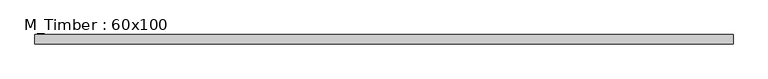
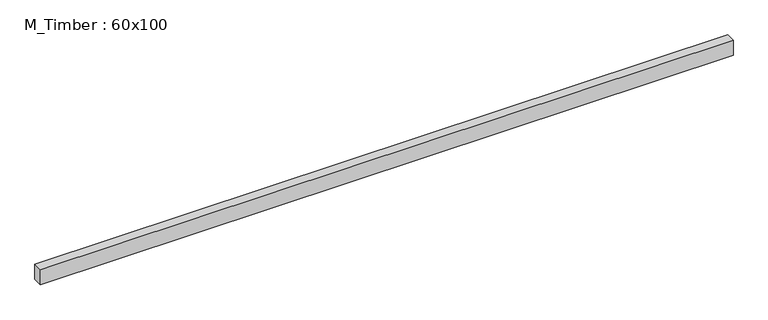
"""IFC4 building model written with IfcOpenShell, lengths in millimetres: beam geometry, M_Timber : 60x100."""

import ifcopenshell
import ifcopenshell.guid

model = None  # the IFC model being written
_history = None  # IfcOwnerHistory: only IFC2X3 demands one
_inside = {}  # id of a spatial element -> (the spatial element, [elements in it])
_under = {}  # id of a project, library or spatial element -> (it, [spatial elements below it])
_declared = {}  # id of a project -> (the project, [libraries it declares])
_typed = {}  # id of a type object -> (the type object, [elements of that type])
_made_of = {}  # id of a material, layer set ... -> (it, [elements and type objects made of it])


def new_model(schema):
    """Start an empty IFC model of exactly this schema.

    Asked for "IFC4X3", IfcOpenShell would pick the latest addendum, in which some entities
    have other attributes; the version numbers below select the first issue.
    IFC2X3 requires an IfcOwnerHistory on every rooted entity: one is made here for all.
    """
    global model, _history
    if schema == "IFC4X3":
        model = ifcopenshell.file(schema_version=(4, 3, 0, 0))
    else:
        model = ifcopenshell.file(schema=schema)
    _inside.clear()
    _under.clear()
    _declared.clear()
    _typed.clear()
    _made_of.clear()
    _history = None
    if model.schema == "IFC2X3":
        org = make("IfcOrganization", Name="unknown")
        user = make(
            "IfcPersonAndOrganization",
            ThePerson=make("IfcPerson", FamilyName="unknown"),
            TheOrganization=org,
        )
        app = make(
            "IfcApplication",
            ApplicationDeveloper=org,
            Version="unknown",
            ApplicationFullName="unknown",
            ApplicationIdentifier="unknown",
        )
        _history = make(
            "IfcOwnerHistory",
            OwningUser=user,
            OwningApplication=app,
            ChangeAction="ADDED",
            CreationDate=0,
        )
    return model


def make(cls, **values):
    """One entity of the class cls with the attributes given. An attribute that is None is left unset."""
    return model.create_entity(
        cls, **{name: value for name, value in values.items() if value is not None}
    )


def rooted(cls, **values):
    """An entity with a GlobalId (a new one), such as an element, a storey or a relation."""
    return make(cls, GlobalId=ifcopenshell.guid.new(), OwnerHistory=_history, **values)


def si_unit(unit_type, name, prefix=None):
    """IfcSIUnit, for example si_unit("LENGTHUNIT", "METRE", prefix="MILLI")."""
    return make("IfcSIUnit", UnitType=unit_type, Prefix=prefix, Name=name)


def assignment(units):
    """IfcUnitAssignment: the units of a project."""
    return None if units is None else make("IfcUnitAssignment", Units=units)


def point(xyz):
    """IfcCartesianPoint."""
    return None if xyz is None else make("IfcCartesianPoint", Coordinates=xyz)


def direction(xyz):
    """IfcDirection."""
    return None if xyz is None else make("IfcDirection", DirectionRatios=xyz)


def frame(location, z_axis=None, x_axis=None):
    """IfcAxis2Placement3D, a coordinate frame: its origin and axes. An axis left out is left unset."""
    return make(
        "IfcAxis2Placement3D",
        Location=point(location),
        Axis=direction(z_axis),
        RefDirection=direction(x_axis),
    )


def origin():
    """The frame at (0, 0, 0) with its axes left unset."""
    return frame((0.0, 0.0, 0.0))


def place(relative_to, where):
    """IfcLocalPlacement: puts the frame where relative to a parent placement (None: the world)."""
    return make(
        "IfcLocalPlacement", PlacementRelTo=relative_to, RelativePlacement=where
    )


def context(
    kind, dimensions, precision=None, world=None, true_north=None, identifier=None
):
    """IfcGeometricRepresentationContext, for example the 3D "Model" context."""
    return make(
        "IfcGeometricRepresentationContext",
        ContextIdentifier=identifier,
        ContextType=kind,
        CoordinateSpaceDimension=dimensions,
        Precision=precision,
        WorldCoordinateSystem=world,
        TrueNorth=true_north,
    )


def project(units=None, contexts=None):
    """IfcProject with its units and contexts."""
    return rooted(
        "IfcProject",
        Name="project",
        RepresentationContexts=contexts,
        UnitsInContext=assignment(units),
    )


def spatial(cls, under=None, at=None, **own):
    """A site, building, storey or space (cls), placed at a placement, below another one or the project."""
    s = rooted(cls, ObjectPlacement=at, **own)
    if under is not None:
        _under.setdefault(under.id(), (under, []))[1].append(s)
    return s


def polyline(points):
    """IfcPolyline through the points."""
    return make("IfcPolyline", Points=[point(p) for p in points])


def outline(outer, holes=None, kind="AREA"):
    """IfcArbitraryClosedProfileDef: a profile drawn as a closed curve; with holes, ...WithVoids."""
    if holes is None:
        return make("IfcArbitraryClosedProfileDef", ProfileType=kind, OuterCurve=outer)
    return make(
        "IfcArbitraryProfileDefWithVoids",
        ProfileType=kind,
        OuterCurve=outer,
        InnerCurves=holes,
    )


def extrude(swept, where, along, depth):
    """IfcExtrudedAreaSolid: the profile swept, set in the frame where, extruded along a direction by depth."""
    return make(
        "IfcExtrudedAreaSolid",
        SweptArea=swept,
        Position=where,
        ExtrudedDirection=direction(along),
        Depth=depth,
    )


def shape(context_of_items, identifier, shape_type, items):
    """IfcShapeRepresentation: the items that make up one representation, for example the "Body"."""
    return make(
        "IfcShapeRepresentation",
        ContextOfItems=context_of_items,
        RepresentationIdentifier=identifier,
        RepresentationType=shape_type,
        Items=items,
    )


def source(mapping_origin, context_of_items, identifier, shape_type, items):
    """IfcRepresentationMap: a shape defined once, which mapped items show again and again."""
    return make(
        "IfcRepresentationMap",
        MappingOrigin=mapping_origin,
        MappedRepresentation=shape(context_of_items, identifier, shape_type, items),
    )


def transform(
    local_origin,
    x_axis=None,
    y_axis=None,
    z_axis=None,
    scale=None,
    scale2=None,
    scale3=None,
    uniform=True,
):
    """IfcCartesianTransformationOperator3D, or its non-uniform kind. x_axis, y_axis, z_axis: its Axis1, 2, 3."""
    if uniform:
        return make(
            "IfcCartesianTransformationOperator3D",
            Axis1=direction(x_axis),
            Axis2=direction(y_axis),
            LocalOrigin=point(local_origin),
            Scale=scale,
            Axis3=direction(z_axis),
        )
    return make(
        "IfcCartesianTransformationOperator3DnonUniform",
        Axis1=direction(x_axis),
        Axis2=direction(y_axis),
        LocalOrigin=point(local_origin),
        Scale=scale,
        Axis3=direction(z_axis),
        Scale2=scale2,
        Scale3=scale3,
    )


def mapped(mapping_source, mapping_target):
    """IfcMappedItem: shows the shape of a source again, moved by a transform."""
    return make(
        "IfcMappedItem", MappingSource=mapping_source, MappingTarget=mapping_target
    )


def made_of(thing, what):
    """Note that an element or type object is made of a material, layer set ...; save() writes the relation."""
    if what is not None:
        _made_of.setdefault(what.id(), (what, []))[1].append(thing)
    return thing


def element(
    cls,
    number,
    at=None,
    inside=None,
    cuts=None,
    type_object=None,
    material=None,
    context=None,
    identifier="Body",
    shape_type=None,
    held_by="IfcProductDefinitionShape",
    body=None,
    shapes=None,
    **own,
):
    """One element of the class cls, such as IfcWall. Its Tag is "e" and its number.

    at: its placement. inside: the storey or other place that contains it. cuts: it is an
    opening in that element (IfcRelVoidsElement). A single representation is given by context,
    identifier, shape_type and body (its items); several are given by shapes. held_by: the class
    of the entity that holds the representations. save() writes the other relations.
    """
    e = rooted(cls, Tag="e%d" % number, ObjectPlacement=at, **own)
    if body is not None:
        shapes = [shape(context, identifier, shape_type, body)]
    if shapes is not None:
        e.Representation = make(held_by, Representations=shapes)
    if inside is not None:
        _inside.setdefault(inside.id(), (inside, []))[1].append(e)
    if cuts is not None:
        rooted(
            "IfcRelVoidsElement", RelatingBuildingElement=cuts, RelatedOpeningElement=e
        )
    if type_object is not None:
        _typed.setdefault(type_object.id(), (type_object, []))[1].append(e)
    return made_of(e, material)


def aggregate(whole, parts):
    """IfcRelAggregates: a whole, such as a stair, and the parts it consists of."""
    return rooted("IfcRelAggregates", RelatingObject=whole, RelatedObjects=parts)


def save(model, path):
    """Write the relations noted so far, then the file.

    IfcRelAggregates (storeys below a building ...), IfcRelContainedInSpatialStructure (elements
    in a storey), IfcRelDefinesByType, IfcRelAssociatesMaterial and IfcRelDeclares: one each for
    every whole, place, type object, material and project.
    """
    for whole, parts in _under.values():
        aggregate(whole, parts)
    for where, things in _inside.values():
        rooted(
            "IfcRelContainedInSpatialStructure",
            RelatedElements=things,
            RelatingStructure=where,
        )
    for kind, things in _typed.values():
        rooted("IfcRelDefinesByType", RelatedObjects=things, RelatingType=kind)
    for what, things in _made_of.values():
        rooted("IfcRelAssociatesMaterial", RelatedObjects=things, RelatingMaterial=what)
    for by, libraries in _declared.values():
        rooted("IfcRelDeclares", RelatingContext=by, RelatedDefinitions=libraries)
    model.write(path)


def m_timber_60x100_63daf108(model_context):
    return source(origin(), model_context, "Body", "SweptSolid", [
        extrude(outline(polyline([(2097.3876757, 30.0), (2097.3876757, -30.0), (-2290.7223559, -30.0), (-2290.7223559, 30.0), (2097.3876757, 30.0)])), frame((0.0, 0.0, -50.0), z_axis=(0.0, 0.0, 1.0), x_axis=(1.0, 0.0, 0.0)), (0.0, 0.0, 1.0), 100.0),
    ])


if __name__ == "__main__":
    model = new_model("IFC4")
    model_context = context("Model", 3, world=origin())
    ifc_project = project(units=[si_unit("LENGTHUNIT", "METRE", prefix="MILLI")], contexts=[model_context])
    site = spatial("IfcSite", under=ifc_project)
    building = spatial("IfcBuilding", under=site)
    placement = place(None, origin())
    m_timber_60x100_shape = m_timber_60x100_63daf108(model_context)
    element("IfcBeam", 1, ObjectType="M_Timber : 60x100", at=placement, inside=building, context=model_context, shape_type="MappedRepresentation", body=[
        mapped(m_timber_60x100_shape, transform((0.0, 0.0, 0.0), x_axis=(1.0, 0.0, 0.0), y_axis=(0.0, 1.0, 0.0), z_axis=(0.0, 0.0, 1.0))),
    ])
    save(model, "model.ifc")
